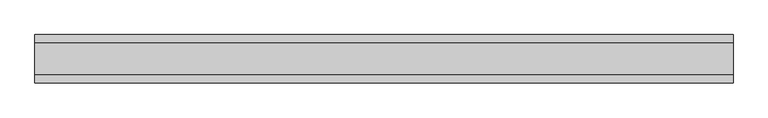
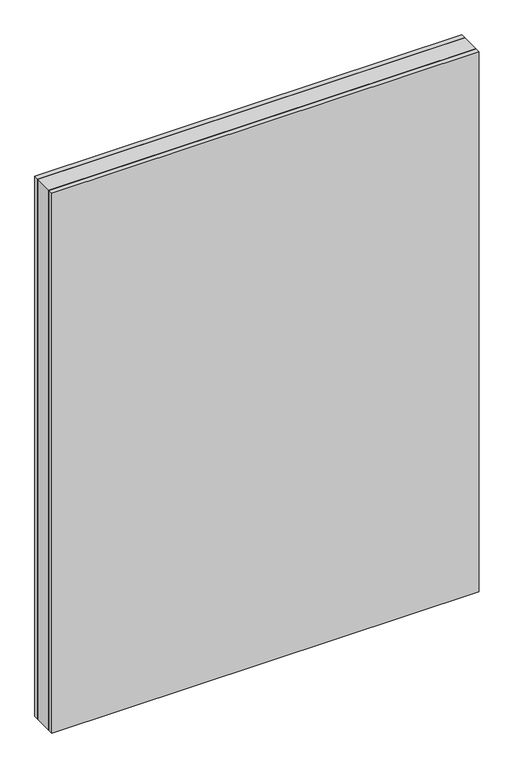
"""IFC4 building model written with IfcOpenShell, lengths in millimetres: plate geometry."""

from ifc_helpers import new_model, si_unit, origin, origin_with_axes, place, context, project, spatial, polyline, outline, extrude, source, transform, mapped, element, save


def plate_f77518e6(model_context):
    return source(origin(), model_context, "Body", "SweptSolid", [
        extrude(outline(polyline([(539.6874999, 24.2), (539.6874999, -24.2), (-539.6874999, -24.2), (-539.6874999, 24.2), (539.6874999, 24.2)])), origin_with_axes(), (0.0, 0.0, 1.0), 1440.75),
        extrude(outline(polyline([(539.6874999, 37.2), (539.6874999, 24.2), (-539.6874999, 24.2), (-539.6874999, 37.2), (539.6874999, 37.2)])), origin_with_axes(), (0.0, 0.0, 1.0), 1440.75),
        extrude(outline(polyline([(-539.6874999, -37.2), (-539.6874999, -24.2), (539.6874999, -24.2), (539.6874999, -37.2), (-539.6874999, -37.2)])), origin_with_axes(), (0.0, 0.0, 1.0), 1440.75),
    ])


if __name__ == "__main__":
    model = new_model("IFC4")
    model_context = context("Model", 3, world=origin())
    ifc_project = project(units=[si_unit("LENGTHUNIT", "METRE", prefix="MILLI")], contexts=[model_context])
    site = spatial("IfcSite", under=ifc_project)
    building = spatial("IfcBuilding", under=site)
    placement = place(None, origin())
    plate_shape = plate_f77518e6(model_context)
    element("IfcPlate", 1, at=placement, inside=building, context=model_context, shape_type="MappedRepresentation", body=[
        mapped(plate_shape, transform((0.0, 0.0, 0.0), x_axis=(1.0, 0.0, 0.0), y_axis=(0.0, 1.0, 0.0), z_axis=(0.0, 0.0, 1.0))),
    ])
    save(model, "model.ifc")
